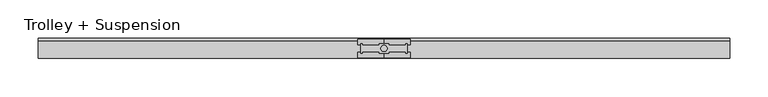
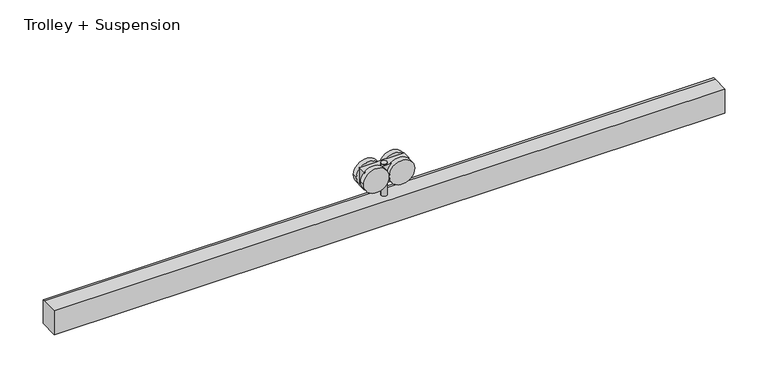
"""IFC4 building model written with IfcOpenShell, lengths in millimetres: proxy geometry, Trolley + Suspension."""

from ifc_helpers import new_model, si_unit, point, frame, frame_2d, origin, origin_2d, place, context, project, spatial, polyline, circle_curve, trimmed, segment, composite_curve, outline, extrude, source, transform, mapped, element, save


def trolley_suspension_30e066ea(model_context):
    return source(origin(), model_context, "Body", "SweptSolid", [
        extrude(outline(composite_curve([segment(trimmed(circle_curve(origin_2d(), 4.0), [point((-4.0, 0.0))], [point((4.0, 0.0))], False, "CARTESIAN"), True, "CONTINUOUS"), segment(trimmed(circle_curve(origin_2d(), 4.0), [point((4.0, 0.0))], [point((-4.0, 0.0))], False, "CARTESIAN"), True, "CONTINUOUS")], self_intersect=False)), frame((0.0, 0.0, 34.0), z_axis=(0.0, 0.0, 1.0), x_axis=(1.0, 0.0, 0.0)), (0.0, 0.0, 1.0), 45.0),
        extrude(outline(polyline([(30.0, -6.0), (-30.0, -6.0), (-30.0, 6.0), (30.0, 6.0), (30.0, -6.0)])), frame((0.0, 0.0, 54.0), z_axis=(0.0, 0.0, 1.0), x_axis=(1.0, 0.0, 0.0)), (0.0, 0.0, 1.0), 25.0),
        extrude(outline(composite_curve([segment(trimmed(circle_curve(frame_2d((66.5, 17.1562807)), 17.0), [point((66.5, 0.1562807))], [point((66.5, 34.1562807))], False, "CARTESIAN"), True, "CONTINUOUS"), segment(trimmed(circle_curve(frame_2d((66.5, 17.1562807)), 17.0), [point((66.5, 34.1562807))], [point((66.5, 0.1562807))], False, "CARTESIAN"), True, "CONTINUOUS")], self_intersect=False)), frame((0.0, 5.0, 0.0), z_axis=(0.0, 1.0, 0.0), x_axis=(0.0, 0.0, 1.0)), (0.0, 0.0, 1.0), 7.0),
        extrude(outline(composite_curve([segment(trimmed(circle_curve(frame_2d((66.5, 17.1562807)), 17.0), [point((66.5, 0.1562807))], [point((66.5, 34.1562807))], False, "CARTESIAN"), True, "CONTINUOUS"), segment(trimmed(circle_curve(frame_2d((66.5, 17.1562807)), 17.0), [point((66.5, 34.1562807))], [point((66.5, 0.1562807))], False, "CARTESIAN"), True, "CONTINUOUS")], self_intersect=False)), frame((0.0, -12.0, 0.0), z_axis=(0.0, 1.0, 0.0), x_axis=(0.0, 0.0, 1.0)), (0.0, 0.0, 1.0), 7.0),
        extrude(outline(composite_curve([segment(trimmed(circle_curve(frame_2d((66.5, -17.2187193)), 17.0), [point((66.5, -34.2187193))], [point((66.5, -0.2187193))], False, "CARTESIAN"), True, "CONTINUOUS"), segment(trimmed(circle_curve(frame_2d((66.5, -17.2187193)), 17.0), [point((66.5, -0.2187193))], [point((66.5, -34.2187193))], False, "CARTESIAN"), True, "CONTINUOUS")], self_intersect=False)), frame((0.0, 5.0, 0.0), z_axis=(0.0, 1.0, 0.0), x_axis=(0.0, 0.0, 1.0)), (0.0, 0.0, 1.0), 7.0),
        extrude(outline(composite_curve([segment(trimmed(circle_curve(frame_2d((66.5, -17.2187193)), 17.0), [point((66.5, -34.2187193))], [point((66.5, -0.2187193))], False, "CARTESIAN"), True, "CONTINUOUS"), segment(trimmed(circle_curve(frame_2d((66.5, -17.2187193)), 17.0), [point((66.5, -0.2187193))], [point((66.5, -34.2187193))], False, "CARTESIAN"), True, "CONTINUOUS")], self_intersect=False)), frame((0.0, -12.0, 0.0), z_axis=(0.0, 1.0, 0.0), x_axis=(0.0, 0.0, 1.0)), (0.0, 0.0, 1.0), 7.0),
        extrude(outline(polyline([(-13.0, 34.0), (9.692747, 34.0), (13.0, 34.0), (13.0, 0.0), (-13.0, 0.0), (-13.0, 34.0)])), frame((-449.6363636, 0.0, 0.0), z_axis=(1.0, 0.0, 0.0), x_axis=(0.0, 1.0, 0.0)), (0.0, 0.0, 1.0), 899.2727273),
    ])


if __name__ == "__main__":
    model = new_model("IFC4")
    model_context = context("Model", 3, world=origin())
    ifc_project = project(units=[si_unit("LENGTHUNIT", "METRE", prefix="MILLI")], contexts=[model_context])
    site = spatial("IfcSite", under=ifc_project)
    building = spatial("IfcBuilding", under=site)
    placement = place(None, origin())
    trolley_suspension_shape = trolley_suspension_30e066ea(model_context)
    element("IfcBuildingElementProxy", 1, Name="Trolley + Suspension", ObjectType="Trolley + Suspension", at=placement, inside=building, context=model_context, shape_type="MappedRepresentation", body=[
        mapped(trolley_suspension_shape, transform((0.0, 0.0, 0.0), x_axis=(1.0, 0.0, 0.0), y_axis=(0.0, 1.0, 0.0), z_axis=(0.0, 0.0, 1.0))),
    ])
    save(model, "model.ifc")
